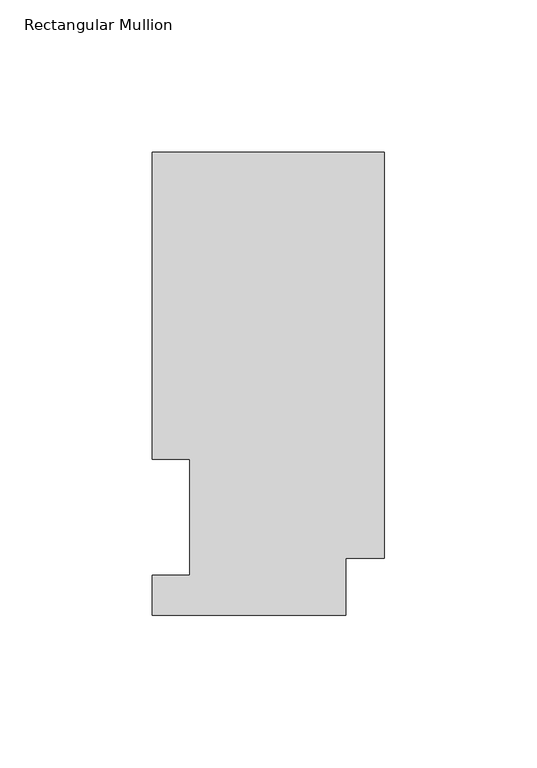
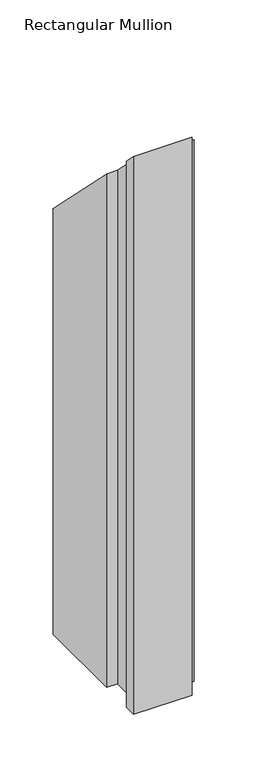
"""IFC4 building model written with IfcOpenShell, lengths in millimetres: member geometry, Rectangular Mullion."""

from ifc_helpers import new_model, si_unit, origin, place, context, project, spatial, faceted_brep, source, transform, mapped, element, save


def rectangular_mullion_c0d5c4ce(model_context):
    return source(origin(), model_context, "Body", "Brep", [
        faceted_brep([(-76.2, 151.9816937, -641.35), (0.0, 151.9816937, -641.35), (0.0, 18.7332937, -641.35), (-12.7, 18.7332937, -641.35), (-12.7, 0.0134937, -641.35), (-76.2, 0.0134937, -641.35), (-76.2, 13.1960938, -641.35), (-63.8581605, 13.1960937, -641.35), (-63.8581605, 51.2960938, -641.35), (-76.2, 51.2960938, -641.35), (-76.2, 51.2960938, -51.2960938), (-76.2, 151.9816937, -151.9816937), (-63.8581605, 51.2960938, -51.2960938), (-63.8581605, 13.1960937, -13.1960937), (-76.2, 13.1960938, -13.1960938), (-76.2, 0.0134937, -0.0134937), (-12.7, 0.0134937, -0.0134937), (-12.7, 18.7332937, -18.7332937), (0.0, 18.7332937, -18.7332937), (0.0, 151.9816937, -151.9816937)], [[[0, 1, 2, 3, 4, 5, 6, 7, 8, 9]], [[10, 11, 0, 9]], [[12, 10, 9, 8]], [[13, 12, 8, 7]], [[14, 13, 7, 6]], [[15, 14, 6, 5]], [[16, 15, 5, 4]], [[17, 16, 4, 3]], [[18, 17, 3, 2]], [[19, 18, 2, 1]], [[11, 19, 1, 0]], [[11, 10, 12, 13, 14, 15, 16, 17, 18, 19]]]),
    ])


if __name__ == "__main__":
    model = new_model("IFC4")
    model_context = context("Model", 3, world=origin())
    ifc_project = project(units=[si_unit("LENGTHUNIT", "METRE", prefix="MILLI")], contexts=[model_context])
    site = spatial("IfcSite", under=ifc_project)
    building = spatial("IfcBuilding", under=site)
    placement = place(None, origin())
    rectangular_mullion_shape = rectangular_mullion_c0d5c4ce(model_context)
    element("IfcMember", 1, ObjectType="Rectangular Mullion", at=placement, inside=building, context=model_context, shape_type="MappedRepresentation", body=[
        mapped(rectangular_mullion_shape, transform((0.0, 0.0, 0.0), x_axis=(1.0, 0.0, 0.0), y_axis=(0.0, 1.0, 0.0), z_axis=(0.0, 0.0, 1.0))),
    ])
    save(model, "model.ifc")
